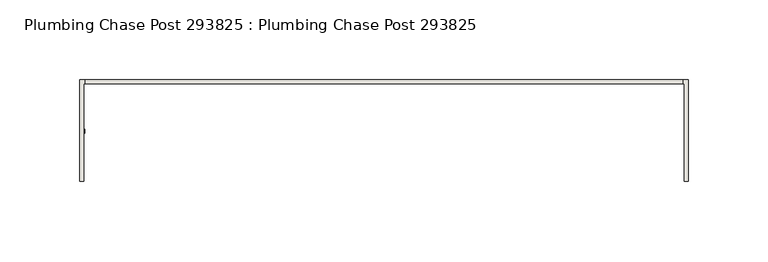
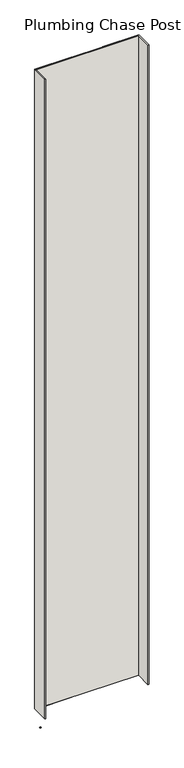
"""IFC4 building model written with IfcOpenShell, lengths in millimetres: wall geometry, Plumbing Chase Post 293825 : Plumbing Chase Post 293825."""

import ifcopenshell
import ifcopenshell.guid

model = None  # the IFC model being written
_history = None  # IfcOwnerHistory: only IFC2X3 demands one
_inside = {}  # id of a spatial element -> (the spatial element, [elements in it])
_under = {}  # id of a project, library or spatial element -> (it, [spatial elements below it])
_declared = {}  # id of a project -> (the project, [libraries it declares])
_typed = {}  # id of a type object -> (the type object, [elements of that type])
_made_of = {}  # id of a material, layer set ... -> (it, [elements and type objects made of it])


def new_model(schema):
    """Start an empty IFC model of exactly this schema.

    Asked for "IFC4X3", IfcOpenShell would pick the latest addendum, in which some entities
    have other attributes; the version numbers below select the first issue.
    IFC2X3 requires an IfcOwnerHistory on every rooted entity: one is made here for all.
    """
    global model, _history
    if schema == "IFC4X3":
        model = ifcopenshell.file(schema_version=(4, 3, 0, 0))
    else:
        model = ifcopenshell.file(schema=schema)
    _inside.clear()
    _under.clear()
    _declared.clear()
    _typed.clear()
    _made_of.clear()
    _history = None
    if model.schema == "IFC2X3":
        org = make("IfcOrganization", Name="unknown")
        user = make(
            "IfcPersonAndOrganization",
            ThePerson=make("IfcPerson", FamilyName="unknown"),
            TheOrganization=org,
        )
        app = make(
            "IfcApplication",
            ApplicationDeveloper=org,
            Version="unknown",
            ApplicationFullName="unknown",
            ApplicationIdentifier="unknown",
        )
        _history = make(
            "IfcOwnerHistory",
            OwningUser=user,
            OwningApplication=app,
            ChangeAction="ADDED",
            CreationDate=0,
        )
    return model


def make(cls, **values):
    """One entity of the class cls with the attributes given. An attribute that is None is left unset."""
    return model.create_entity(
        cls, **{name: value for name, value in values.items() if value is not None}
    )


def rooted(cls, **values):
    """An entity with a GlobalId (a new one), such as an element, a storey or a relation."""
    return make(cls, GlobalId=ifcopenshell.guid.new(), OwnerHistory=_history, **values)


def si_unit(unit_type, name, prefix=None):
    """IfcSIUnit, for example si_unit("LENGTHUNIT", "METRE", prefix="MILLI")."""
    return make("IfcSIUnit", UnitType=unit_type, Prefix=prefix, Name=name)


def assignment(units):
    """IfcUnitAssignment: the units of a project."""
    return None if units is None else make("IfcUnitAssignment", Units=units)


def point(xyz):
    """IfcCartesianPoint."""
    return None if xyz is None else make("IfcCartesianPoint", Coordinates=xyz)


def direction(xyz):
    """IfcDirection."""
    return None if xyz is None else make("IfcDirection", DirectionRatios=xyz)


def frame(location, z_axis=None, x_axis=None):
    """IfcAxis2Placement3D, a coordinate frame: its origin and axes. An axis left out is left unset."""
    return make(
        "IfcAxis2Placement3D",
        Location=point(location),
        Axis=direction(z_axis),
        RefDirection=direction(x_axis),
    )


def origin():
    """The frame at (0, 0, 0) with its axes left unset."""
    return frame((0.0, 0.0, 0.0))


def place(relative_to, where):
    """IfcLocalPlacement: puts the frame where relative to a parent placement (None: the world)."""
    return make(
        "IfcLocalPlacement", PlacementRelTo=relative_to, RelativePlacement=where
    )


def context(
    kind, dimensions, precision=None, world=None, true_north=None, identifier=None
):
    """IfcGeometricRepresentationContext, for example the 3D "Model" context."""
    return make(
        "IfcGeometricRepresentationContext",
        ContextIdentifier=identifier,
        ContextType=kind,
        CoordinateSpaceDimension=dimensions,
        Precision=precision,
        WorldCoordinateSystem=world,
        TrueNorth=true_north,
    )


def project(units=None, contexts=None):
    """IfcProject with its units and contexts."""
    return rooted(
        "IfcProject",
        Name="project",
        RepresentationContexts=contexts,
        UnitsInContext=assignment(units),
    )


def spatial(cls, under=None, at=None, **own):
    """A site, building, storey or space (cls), placed at a placement, below another one or the project."""
    s = rooted(cls, ObjectPlacement=at, **own)
    if under is not None:
        _under.setdefault(under.id(), (under, []))[1].append(s)
    return s


def polyline(points):
    """IfcPolyline through the points."""
    return make("IfcPolyline", Points=[point(p) for p in points])


def outline(outer, holes=None, kind="AREA"):
    """IfcArbitraryClosedProfileDef: a profile drawn as a closed curve; with holes, ...WithVoids."""
    if holes is None:
        return make("IfcArbitraryClosedProfileDef", ProfileType=kind, OuterCurve=outer)
    return make(
        "IfcArbitraryProfileDefWithVoids",
        ProfileType=kind,
        OuterCurve=outer,
        InnerCurves=holes,
    )


def extrude(swept, where, along, depth):
    """IfcExtrudedAreaSolid: the profile swept, set in the frame where, extruded along a direction by depth."""
    return make(
        "IfcExtrudedAreaSolid",
        SweptArea=swept,
        Position=where,
        ExtrudedDirection=direction(along),
        Depth=depth,
    )


def shape(context_of_items, identifier, shape_type, items):
    """IfcShapeRepresentation: the items that make up one representation, for example the "Body"."""
    return make(
        "IfcShapeRepresentation",
        ContextOfItems=context_of_items,
        RepresentationIdentifier=identifier,
        RepresentationType=shape_type,
        Items=items,
    )


def source(mapping_origin, context_of_items, identifier, shape_type, items):
    """IfcRepresentationMap: a shape defined once, which mapped items show again and again."""
    return make(
        "IfcRepresentationMap",
        MappingOrigin=mapping_origin,
        MappedRepresentation=shape(context_of_items, identifier, shape_type, items),
    )


def transform(
    local_origin,
    x_axis=None,
    y_axis=None,
    z_axis=None,
    scale=None,
    scale2=None,
    scale3=None,
    uniform=True,
):
    """IfcCartesianTransformationOperator3D, or its non-uniform kind. x_axis, y_axis, z_axis: its Axis1, 2, 3."""
    if uniform:
        return make(
            "IfcCartesianTransformationOperator3D",
            Axis1=direction(x_axis),
            Axis2=direction(y_axis),
            LocalOrigin=point(local_origin),
            Scale=scale,
            Axis3=direction(z_axis),
        )
    return make(
        "IfcCartesianTransformationOperator3DnonUniform",
        Axis1=direction(x_axis),
        Axis2=direction(y_axis),
        LocalOrigin=point(local_origin),
        Scale=scale,
        Axis3=direction(z_axis),
        Scale2=scale2,
        Scale3=scale3,
    )


def mapped(mapping_source, mapping_target):
    """IfcMappedItem: shows the shape of a source again, moved by a transform."""
    return make(
        "IfcMappedItem", MappingSource=mapping_source, MappingTarget=mapping_target
    )


def made_of(thing, what):
    """Note that an element or type object is made of a material, layer set ...; save() writes the relation."""
    if what is not None:
        _made_of.setdefault(what.id(), (what, []))[1].append(thing)
    return thing


def element(
    cls,
    number,
    at=None,
    inside=None,
    cuts=None,
    type_object=None,
    material=None,
    context=None,
    identifier="Body",
    shape_type=None,
    held_by="IfcProductDefinitionShape",
    body=None,
    shapes=None,
    **own,
):
    """One element of the class cls, such as IfcWall. Its Tag is "e" and its number.

    at: its placement. inside: the storey or other place that contains it. cuts: it is an
    opening in that element (IfcRelVoidsElement). A single representation is given by context,
    identifier, shape_type and body (its items); several are given by shapes. held_by: the class
    of the entity that holds the representations. save() writes the other relations.
    """
    e = rooted(cls, Tag="e%d" % number, ObjectPlacement=at, **own)
    if body is not None:
        shapes = [shape(context, identifier, shape_type, body)]
    if shapes is not None:
        e.Representation = make(held_by, Representations=shapes)
    if inside is not None:
        _inside.setdefault(inside.id(), (inside, []))[1].append(e)
    if cuts is not None:
        rooted(
            "IfcRelVoidsElement", RelatingBuildingElement=cuts, RelatedOpeningElement=e
        )
    if type_object is not None:
        _typed.setdefault(type_object.id(), (type_object, []))[1].append(e)
    return made_of(e, material)


def aggregate(whole, parts):
    """IfcRelAggregates: a whole, such as a stair, and the parts it consists of."""
    return rooted("IfcRelAggregates", RelatingObject=whole, RelatedObjects=parts)


def save(model, path):
    """Write the relations noted so far, then the file.

    IfcRelAggregates (storeys below a building ...), IfcRelContainedInSpatialStructure (elements
    in a storey), IfcRelDefinesByType, IfcRelAssociatesMaterial and IfcRelDeclares: one each for
    every whole, place, type object, material and project.
    """
    for whole, parts in _under.values():
        aggregate(whole, parts)
    for where, things in _inside.values():
        rooted(
            "IfcRelContainedInSpatialStructure",
            RelatedElements=things,
            RelatingStructure=where,
        )
    for kind, things in _typed.values():
        rooted("IfcRelDefinesByType", RelatedObjects=things, RelatingType=kind)
    for what, things in _made_of.values():
        rooted("IfcRelAssociatesMaterial", RelatedObjects=things, RelatingMaterial=what)
    for by, libraries in _declared.values():
        rooted("IfcRelDeclares", RelatingContext=by, RelatedDefinitions=libraries)
    model.write(path)


def plumbing_chase_post_293825_plumbing_chase_post_293825_e253467f(model_context):
    return source(origin(), model_context, "Body", "SweptSolid", [
        extrude(outline(polyline([(84024.035914, -50815.3745692), (84021.495914, -50815.3745692), (84021.495914, -50812.8345692), (84024.035914, -50812.8345692), (84024.035914, -50815.3745692)])), frame((0.0, 0.0, 4419.6), z_axis=(0.0, 0.0, 1.0), x_axis=(1.0, 0.0, 0.0)), (0.0, 0.0, 1.0), 2.54),
        extrude(outline(polyline([(84024.1921748, -50782.0941176), (84399.8033616, -50782.0941176), (84399.8033616, -50784.7606096), (84024.1921748, -50784.7606096), (84024.1921748, -50782.0941176)])), frame((0.0, 0.0, 4474.8958), z_axis=(0.0, 0.0, 1.0), x_axis=(1.0, 0.0, 0.0)), (0.0, 0.0, 1.0), 2481.1482254),
        extrude(outline(polyline([(84024.1921748, -50782.0941176), (84399.8033616, -50782.0941176), (84399.8033616, -50784.7606096), (84024.1921748, -50784.7606096), (84024.1921748, -50782.0941176)])), frame((0.0, 0.0, 4474.8958), z_axis=(0.0, 0.0, 1.0), x_axis=(1.0, 0.0, 0.0)), (0.0, 0.0, 1.0), 2481.1482254),
        extrude(outline(polyline([(84020.7381304, -50782.0941176), (84154.0881304, -50782.0941176), (84154.0881304, -50784.7606096), (84023.4046478, -50784.7606096), (84023.4046478, -50846.0995014), (84020.7381304, -50846.0995014), (84020.7381304, -50782.0941176)])), frame((0.0, 0.0, 4474.8958), z_axis=(0.0, 0.0, 1.0), x_axis=(1.0, 0.0, 0.0)), (0.0, 0.0, 1.0), 2481.1482254),
        extrude(outline(polyline([(84020.7381304, -50782.0941176), (84154.0881304, -50782.0941176), (84154.0881304, -50784.7606096), (84023.4046478, -50784.7606096), (84023.4046478, -50846.0995014), (84020.7381304, -50846.0995014), (84020.7381304, -50782.0941176)])), frame((0.0, 0.0, 4474.8958), z_axis=(0.0, 0.0, 1.0), x_axis=(1.0, 0.0, 0.0)), (0.0, 0.0, 1.0), 2481.1482254),
        extrude(outline(polyline([(84269.8826156, -50784.7606096), (84269.8826156, -50782.0941176), (84403.2326156, -50782.0941176), (84403.2326156, -50846.0995014), (84400.5661236, -50846.0995014), (84400.590914, -50784.7606096), (84269.8826156, -50784.7606096)])), frame((0.0, 0.0, 4474.8958), z_axis=(0.0, 0.0, 1.0), x_axis=(1.0, 0.0, 0.0)), (0.0, 0.0, 1.0), 2481.1482254),
        extrude(outline(polyline([(84269.8826156, -50784.7606096), (84269.8826156, -50782.0941176), (84403.2326156, -50782.0941176), (84403.2326156, -50846.0995014), (84400.5661236, -50846.0995014), (84400.590914, -50784.7606096), (84269.8826156, -50784.7606096)])), frame((0.0, 0.0, 4474.8958), z_axis=(0.0, 0.0, 1.0), x_axis=(1.0, 0.0, 0.0)), (0.0, 0.0, 1.0), 2481.1482254),
    ])


if __name__ == "__main__":
    model = new_model("IFC4")
    model_context = context("Model", 3, world=origin())
    ifc_project = project(units=[si_unit("LENGTHUNIT", "METRE", prefix="MILLI")], contexts=[model_context])
    site = spatial("IfcSite", under=ifc_project)
    building = spatial("IfcBuilding", under=site)
    placement = place(None, origin())
    plumbing_chase_post_293825_plumbing_chase_post_293825_shape = plumbing_chase_post_293825_plumbing_chase_post_293825_e253467f(model_context)
    element("IfcWall", 1, ObjectType="Plumbing Chase Post 293825 : Plumbing Chase Post 293825", at=placement, inside=building, context=model_context, shape_type="MappedRepresentation", body=[
        mapped(plumbing_chase_post_293825_plumbing_chase_post_293825_shape, transform((0.0, 0.0, 0.0), x_axis=(1.0, 0.0, 0.0), y_axis=(0.0, 1.0, 0.0), z_axis=(0.0, 0.0, 1.0))),
    ])
    save(model, "model.ifc")
